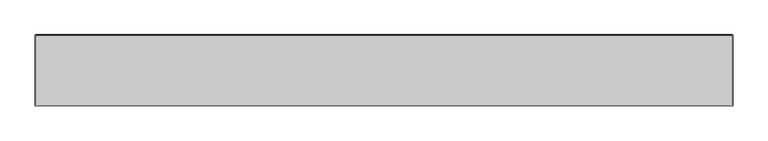
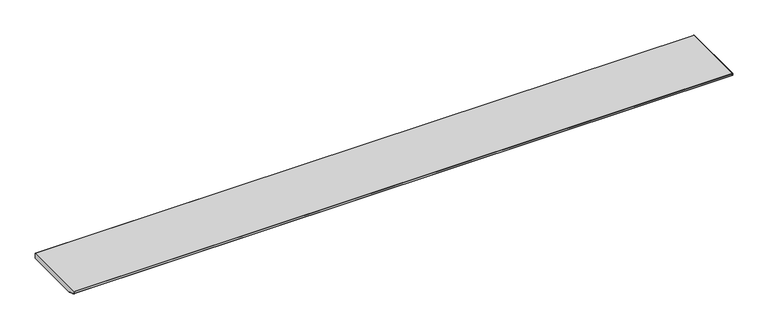
"""IFC4 building model written with IfcOpenShell, lengths in millimetres: furniture geometry."""

import ifcopenshell
import ifcopenshell.guid

model = None  # the IFC model being written
_history = None  # IfcOwnerHistory: only IFC2X3 demands one
_inside = {}  # id of a spatial element -> (the spatial element, [elements in it])
_under = {}  # id of a project, library or spatial element -> (it, [spatial elements below it])
_declared = {}  # id of a project -> (the project, [libraries it declares])
_typed = {}  # id of a type object -> (the type object, [elements of that type])
_made_of = {}  # id of a material, layer set ... -> (it, [elements and type objects made of it])


def new_model(schema):
    """Start an empty IFC model of exactly this schema.

    Asked for "IFC4X3", IfcOpenShell would pick the latest addendum, in which some entities
    have other attributes; the version numbers below select the first issue.
    IFC2X3 requires an IfcOwnerHistory on every rooted entity: one is made here for all.
    """
    global model, _history
    if schema == "IFC4X3":
        model = ifcopenshell.file(schema_version=(4, 3, 0, 0))
    else:
        model = ifcopenshell.file(schema=schema)
    _inside.clear()
    _under.clear()
    _declared.clear()
    _typed.clear()
    _made_of.clear()
    _history = None
    if model.schema == "IFC2X3":
        org = make("IfcOrganization", Name="unknown")
        user = make(
            "IfcPersonAndOrganization",
            ThePerson=make("IfcPerson", FamilyName="unknown"),
            TheOrganization=org,
        )
        app = make(
            "IfcApplication",
            ApplicationDeveloper=org,
            Version="unknown",
            ApplicationFullName="unknown",
            ApplicationIdentifier="unknown",
        )
        _history = make(
            "IfcOwnerHistory",
            OwningUser=user,
            OwningApplication=app,
            ChangeAction="ADDED",
            CreationDate=0,
        )
    return model


def make(cls, **values):
    """One entity of the class cls with the attributes given. An attribute that is None is left unset."""
    return model.create_entity(
        cls, **{name: value for name, value in values.items() if value is not None}
    )


def rooted(cls, **values):
    """An entity with a GlobalId (a new one), such as an element, a storey or a relation."""
    return make(cls, GlobalId=ifcopenshell.guid.new(), OwnerHistory=_history, **values)


def si_unit(unit_type, name, prefix=None):
    """IfcSIUnit, for example si_unit("LENGTHUNIT", "METRE", prefix="MILLI")."""
    return make("IfcSIUnit", UnitType=unit_type, Prefix=prefix, Name=name)


def assignment(units):
    """IfcUnitAssignment: the units of a project."""
    return None if units is None else make("IfcUnitAssignment", Units=units)


def point(xyz):
    """IfcCartesianPoint."""
    return None if xyz is None else make("IfcCartesianPoint", Coordinates=xyz)


def direction(xyz):
    """IfcDirection."""
    return None if xyz is None else make("IfcDirection", DirectionRatios=xyz)


def frame(location, z_axis=None, x_axis=None):
    """IfcAxis2Placement3D, a coordinate frame: its origin and axes. An axis left out is left unset."""
    return make(
        "IfcAxis2Placement3D",
        Location=point(location),
        Axis=direction(z_axis),
        RefDirection=direction(x_axis),
    )


def origin():
    """The frame at (0, 0, 0) with its axes left unset."""
    return frame((0.0, 0.0, 0.0))


def place(relative_to, where):
    """IfcLocalPlacement: puts the frame where relative to a parent placement (None: the world)."""
    return make(
        "IfcLocalPlacement", PlacementRelTo=relative_to, RelativePlacement=where
    )


def context(
    kind, dimensions, precision=None, world=None, true_north=None, identifier=None
):
    """IfcGeometricRepresentationContext, for example the 3D "Model" context."""
    return make(
        "IfcGeometricRepresentationContext",
        ContextIdentifier=identifier,
        ContextType=kind,
        CoordinateSpaceDimension=dimensions,
        Precision=precision,
        WorldCoordinateSystem=world,
        TrueNorth=true_north,
    )


def project(units=None, contexts=None):
    """IfcProject with its units and contexts."""
    return rooted(
        "IfcProject",
        Name="project",
        RepresentationContexts=contexts,
        UnitsInContext=assignment(units),
    )


def spatial(cls, under=None, at=None, **own):
    """A site, building, storey or space (cls), placed at a placement, below another one or the project."""
    s = rooted(cls, ObjectPlacement=at, **own)
    if under is not None:
        _under.setdefault(under.id(), (under, []))[1].append(s)
    return s


def point_list(points):
    """IfcCartesianPointList2D or 3D."""
    cls = (
        "IfcCartesianPointList2D" if len(points[0]) == 2 else "IfcCartesianPointList3D"
    )
    return make(cls, CoordList=points)


def triangles(points, corners, closed=None, point_numbers=None):
    """IfcTriangulatedFaceSet: each triangle names its three corners, points numbered from 1."""
    return make(
        "IfcTriangulatedFaceSet",
        Coordinates=point_list(points),
        Closed=closed,
        CoordIndex=corners,
        PnIndex=point_numbers,
    )


def shape(context_of_items, identifier, shape_type, items):
    """IfcShapeRepresentation: the items that make up one representation, for example the "Body"."""
    return make(
        "IfcShapeRepresentation",
        ContextOfItems=context_of_items,
        RepresentationIdentifier=identifier,
        RepresentationType=shape_type,
        Items=items,
    )


def source(mapping_origin, context_of_items, identifier, shape_type, items):
    """IfcRepresentationMap: a shape defined once, which mapped items show again and again."""
    return make(
        "IfcRepresentationMap",
        MappingOrigin=mapping_origin,
        MappedRepresentation=shape(context_of_items, identifier, shape_type, items),
    )


def transform(
    local_origin,
    x_axis=None,
    y_axis=None,
    z_axis=None,
    scale=None,
    scale2=None,
    scale3=None,
    uniform=True,
):
    """IfcCartesianTransformationOperator3D, or its non-uniform kind. x_axis, y_axis, z_axis: its Axis1, 2, 3."""
    if uniform:
        return make(
            "IfcCartesianTransformationOperator3D",
            Axis1=direction(x_axis),
            Axis2=direction(y_axis),
            LocalOrigin=point(local_origin),
            Scale=scale,
            Axis3=direction(z_axis),
        )
    return make(
        "IfcCartesianTransformationOperator3DnonUniform",
        Axis1=direction(x_axis),
        Axis2=direction(y_axis),
        LocalOrigin=point(local_origin),
        Scale=scale,
        Axis3=direction(z_axis),
        Scale2=scale2,
        Scale3=scale3,
    )


def mapped(mapping_source, mapping_target):
    """IfcMappedItem: shows the shape of a source again, moved by a transform."""
    return make(
        "IfcMappedItem", MappingSource=mapping_source, MappingTarget=mapping_target
    )


def made_of(thing, what):
    """Note that an element or type object is made of a material, layer set ...; save() writes the relation."""
    if what is not None:
        _made_of.setdefault(what.id(), (what, []))[1].append(thing)
    return thing


def element(
    cls,
    number,
    at=None,
    inside=None,
    cuts=None,
    type_object=None,
    material=None,
    context=None,
    identifier="Body",
    shape_type=None,
    held_by="IfcProductDefinitionShape",
    body=None,
    shapes=None,
    **own,
):
    """One element of the class cls, such as IfcWall. Its Tag is "e" and its number.

    at: its placement. inside: the storey or other place that contains it. cuts: it is an
    opening in that element (IfcRelVoidsElement). A single representation is given by context,
    identifier, shape_type and body (its items); several are given by shapes. held_by: the class
    of the entity that holds the representations. save() writes the other relations.
    """
    e = rooted(cls, Tag="e%d" % number, ObjectPlacement=at, **own)
    if body is not None:
        shapes = [shape(context, identifier, shape_type, body)]
    if shapes is not None:
        e.Representation = make(held_by, Representations=shapes)
    if inside is not None:
        _inside.setdefault(inside.id(), (inside, []))[1].append(e)
    if cuts is not None:
        rooted(
            "IfcRelVoidsElement", RelatingBuildingElement=cuts, RelatedOpeningElement=e
        )
    if type_object is not None:
        _typed.setdefault(type_object.id(), (type_object, []))[1].append(e)
    return made_of(e, material)


def aggregate(whole, parts):
    """IfcRelAggregates: a whole, such as a stair, and the parts it consists of."""
    return rooted("IfcRelAggregates", RelatingObject=whole, RelatedObjects=parts)


def save(model, path):
    """Write the relations noted so far, then the file.

    IfcRelAggregates (storeys below a building ...), IfcRelContainedInSpatialStructure (elements
    in a storey), IfcRelDefinesByType, IfcRelAssociatesMaterial and IfcRelDeclares: one each for
    every whole, place, type object, material and project.
    """
    for whole, parts in _under.values():
        aggregate(whole, parts)
    for where, things in _inside.values():
        rooted(
            "IfcRelContainedInSpatialStructure",
            RelatedElements=things,
            RelatingStructure=where,
        )
    for kind, things in _typed.values():
        rooted("IfcRelDefinesByType", RelatedObjects=things, RelatingType=kind)
    for what, things in _made_of.values():
        rooted("IfcRelAssociatesMaterial", RelatedObjects=things, RelatingMaterial=what)
    for by, libraries in _declared.values():
        rooted("IfcRelDeclares", RelatingContext=by, RelatedDefinitions=libraries)
    model.write(path)


def furniture_e0b1e840(model_context):
    return source(origin(), model_context, "Body", "Tessellation", [
        triangles([(3047.2381279, -311.1500121, -0.762), (3047.2381279, -310.3879947, 0.0), (0.762, -310.3879947, 0.0), (0.762, -311.1500121, -0.762), (0.762, -311.1500121, -8.7630002), (0.0, -310.3879947, -0.762), (0.0, -310.3879947, -8.7630002), (0.762, -310.3879947, -9.525), (0.762, -272.2879947, -25.4000008), (3047.2381279, -272.2879947, -25.4000008), (3047.2381279, -310.3879947, -9.525), (0.762, -0.762, -25.4000008), (3047.2381279, -0.762, -25.4000008), (0.0, -0.762, -24.6379992), (0.0, -0.762, -0.762), (3047.2381279, -0.762, 0.0), (0.762, -0.762, 0.0), (3048.0, -0.762, -0.762), (3048.0, -310.3879947, -0.762), (3048.0, -310.3879947, -8.7630002), (3048.0, -0.762, -24.6379992), (3047.2381279, 0.0, -24.6379992), (3047.2381279, 0.0, -0.762), (0.762, 0.0, -24.6379992), (0.762, 0.0, -0.762), (3047.2381279, -311.1500121, -8.7630002), (-0.03175, -273.0499939, -24.6379992), (3048.0316841, -273.0499939, -24.6379992)], [[1, 2, 3], [1, 3, 4], [5, 4, 6], [5, 6, 7], [8, 9, 10], [8, 10, 11], [12, 13, 10], [12, 10, 9], [14, 7, 6], [14, 6, 15], [16, 17, 3], [16, 3, 2], [18, 19, 20], [18, 20, 21], [22, 23, 18], [22, 18, 21], [22, 13, 12], [22, 12, 24], [25, 24, 14], [25, 14, 15], [25, 17, 16], [25, 16, 23], [20, 19, 1], [20, 1, 26], [26, 1, 4], [26, 4, 5], [3, 6, 4], [15, 6, 3], [15, 3, 17], [15, 17, 25], [24, 12, 14], [14, 12, 9], [14, 9, 27], [16, 18, 23], [18, 16, 2], [18, 2, 19], [1, 19, 2], [22, 21, 13], [13, 21, 28], [13, 28, 10], [5, 8, 11], [5, 11, 26], [5, 7, 8], [26, 11, 20], [11, 10, 28], [11, 28, 20], [21, 28, 20], [7, 27, 9], [7, 9, 8], [7, 27, 14]], closed=False),
    ])


if __name__ == "__main__":
    model = new_model("IFC4")
    model_context = context("Model", 3, world=origin())
    ifc_project = project(units=[si_unit("LENGTHUNIT", "METRE", prefix="MILLI")], contexts=[model_context])
    site = spatial("IfcSite", under=ifc_project)
    building = spatial("IfcBuilding", under=site)
    placement = place(None, origin())
    furniture_shape = furniture_e0b1e840(model_context)
    element("IfcFurniture", 1, at=placement, inside=building, context=model_context, shape_type="MappedRepresentation", body=[
        mapped(furniture_shape, transform((0.0, 0.0, 0.0), x_axis=(1.0, 0.0, 0.0), y_axis=(0.0, 1.0, 0.0), z_axis=(0.0, 0.0, 1.0))),
    ])
    save(model, "model.ifc")
